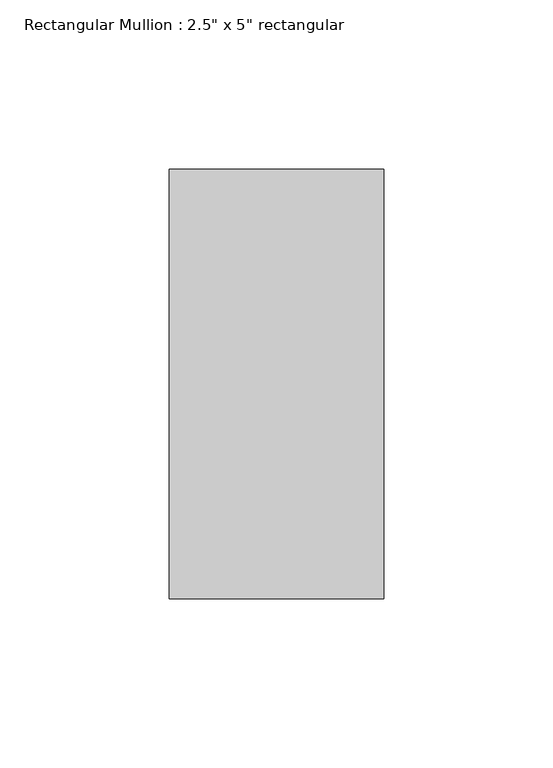
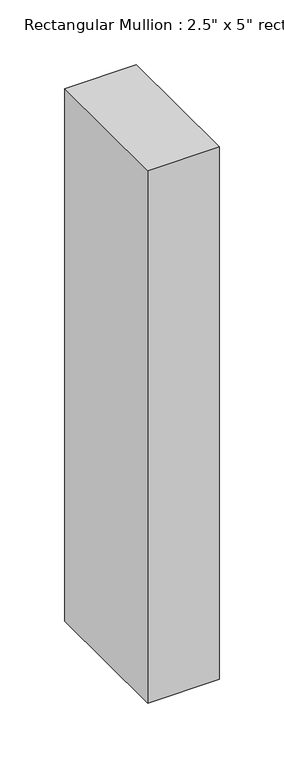
"""IFC4 building model written with IfcOpenShell, lengths in millimetres: member geometry."""

import ifcopenshell
import ifcopenshell.guid

model = None  # the IFC model being written
_history = None  # IfcOwnerHistory: only IFC2X3 demands one
_inside = {}  # id of a spatial element -> (the spatial element, [elements in it])
_under = {}  # id of a project, library or spatial element -> (it, [spatial elements below it])
_declared = {}  # id of a project -> (the project, [libraries it declares])
_typed = {}  # id of a type object -> (the type object, [elements of that type])
_made_of = {}  # id of a material, layer set ... -> (it, [elements and type objects made of it])


def new_model(schema):
    """Start an empty IFC model of exactly this schema.

    Asked for "IFC4X3", IfcOpenShell would pick the latest addendum, in which some entities
    have other attributes; the version numbers below select the first issue.
    IFC2X3 requires an IfcOwnerHistory on every rooted entity: one is made here for all.
    """
    global model, _history
    if schema == "IFC4X3":
        model = ifcopenshell.file(schema_version=(4, 3, 0, 0))
    else:
        model = ifcopenshell.file(schema=schema)
    _inside.clear()
    _under.clear()
    _declared.clear()
    _typed.clear()
    _made_of.clear()
    _history = None
    if model.schema == "IFC2X3":
        org = make("IfcOrganization", Name="unknown")
        user = make(
            "IfcPersonAndOrganization",
            ThePerson=make("IfcPerson", FamilyName="unknown"),
            TheOrganization=org,
        )
        app = make(
            "IfcApplication",
            ApplicationDeveloper=org,
            Version="unknown",
            ApplicationFullName="unknown",
            ApplicationIdentifier="unknown",
        )
        _history = make(
            "IfcOwnerHistory",
            OwningUser=user,
            OwningApplication=app,
            ChangeAction="ADDED",
            CreationDate=0,
        )
    return model


def make(cls, **values):
    """One entity of the class cls with the attributes given. An attribute that is None is left unset."""
    return model.create_entity(
        cls, **{name: value for name, value in values.items() if value is not None}
    )


def rooted(cls, **values):
    """An entity with a GlobalId (a new one), such as an element, a storey or a relation."""
    return make(cls, GlobalId=ifcopenshell.guid.new(), OwnerHistory=_history, **values)


def si_unit(unit_type, name, prefix=None):
    """IfcSIUnit, for example si_unit("LENGTHUNIT", "METRE", prefix="MILLI")."""
    return make("IfcSIUnit", UnitType=unit_type, Prefix=prefix, Name=name)


def assignment(units):
    """IfcUnitAssignment: the units of a project."""
    return None if units is None else make("IfcUnitAssignment", Units=units)


def point(xyz):
    """IfcCartesianPoint."""
    return None if xyz is None else make("IfcCartesianPoint", Coordinates=xyz)


def direction(xyz):
    """IfcDirection."""
    return None if xyz is None else make("IfcDirection", DirectionRatios=xyz)


def frame(location, z_axis=None, x_axis=None):
    """IfcAxis2Placement3D, a coordinate frame: its origin and axes. An axis left out is left unset."""
    return make(
        "IfcAxis2Placement3D",
        Location=point(location),
        Axis=direction(z_axis),
        RefDirection=direction(x_axis),
    )


def origin():
    """The frame at (0, 0, 0) with its axes left unset."""
    return frame((0.0, 0.0, 0.0))


def place(relative_to, where):
    """IfcLocalPlacement: puts the frame where relative to a parent placement (None: the world)."""
    return make(
        "IfcLocalPlacement", PlacementRelTo=relative_to, RelativePlacement=where
    )


def context(
    kind, dimensions, precision=None, world=None, true_north=None, identifier=None
):
    """IfcGeometricRepresentationContext, for example the 3D "Model" context."""
    return make(
        "IfcGeometricRepresentationContext",
        ContextIdentifier=identifier,
        ContextType=kind,
        CoordinateSpaceDimension=dimensions,
        Precision=precision,
        WorldCoordinateSystem=world,
        TrueNorth=true_north,
    )


def project(units=None, contexts=None):
    """IfcProject with its units and contexts."""
    return rooted(
        "IfcProject",
        Name="project",
        RepresentationContexts=contexts,
        UnitsInContext=assignment(units),
    )


def spatial(cls, under=None, at=None, **own):
    """A site, building, storey or space (cls), placed at a placement, below another one or the project."""
    s = rooted(cls, ObjectPlacement=at, **own)
    if under is not None:
        _under.setdefault(under.id(), (under, []))[1].append(s)
    return s


def polyline(points):
    """IfcPolyline through the points."""
    return make("IfcPolyline", Points=[point(p) for p in points])


def outline(outer, holes=None, kind="AREA"):
    """IfcArbitraryClosedProfileDef: a profile drawn as a closed curve; with holes, ...WithVoids."""
    if holes is None:
        return make("IfcArbitraryClosedProfileDef", ProfileType=kind, OuterCurve=outer)
    return make(
        "IfcArbitraryProfileDefWithVoids",
        ProfileType=kind,
        OuterCurve=outer,
        InnerCurves=holes,
    )


def extrude(swept, where, along, depth):
    """IfcExtrudedAreaSolid: the profile swept, set in the frame where, extruded along a direction by depth."""
    return make(
        "IfcExtrudedAreaSolid",
        SweptArea=swept,
        Position=where,
        ExtrudedDirection=direction(along),
        Depth=depth,
    )


def shape(context_of_items, identifier, shape_type, items):
    """IfcShapeRepresentation: the items that make up one representation, for example the "Body"."""
    return make(
        "IfcShapeRepresentation",
        ContextOfItems=context_of_items,
        RepresentationIdentifier=identifier,
        RepresentationType=shape_type,
        Items=items,
    )


def source(mapping_origin, context_of_items, identifier, shape_type, items):
    """IfcRepresentationMap: a shape defined once, which mapped items show again and again."""
    return make(
        "IfcRepresentationMap",
        MappingOrigin=mapping_origin,
        MappedRepresentation=shape(context_of_items, identifier, shape_type, items),
    )


def transform(
    local_origin,
    x_axis=None,
    y_axis=None,
    z_axis=None,
    scale=None,
    scale2=None,
    scale3=None,
    uniform=True,
):
    """IfcCartesianTransformationOperator3D, or its non-uniform kind. x_axis, y_axis, z_axis: its Axis1, 2, 3."""
    if uniform:
        return make(
            "IfcCartesianTransformationOperator3D",
            Axis1=direction(x_axis),
            Axis2=direction(y_axis),
            LocalOrigin=point(local_origin),
            Scale=scale,
            Axis3=direction(z_axis),
        )
    return make(
        "IfcCartesianTransformationOperator3DnonUniform",
        Axis1=direction(x_axis),
        Axis2=direction(y_axis),
        LocalOrigin=point(local_origin),
        Scale=scale,
        Axis3=direction(z_axis),
        Scale2=scale2,
        Scale3=scale3,
    )


def mapped(mapping_source, mapping_target):
    """IfcMappedItem: shows the shape of a source again, moved by a transform."""
    return make(
        "IfcMappedItem", MappingSource=mapping_source, MappingTarget=mapping_target
    )


def made_of(thing, what):
    """Note that an element or type object is made of a material, layer set ...; save() writes the relation."""
    if what is not None:
        _made_of.setdefault(what.id(), (what, []))[1].append(thing)
    return thing


def element(
    cls,
    number,
    at=None,
    inside=None,
    cuts=None,
    type_object=None,
    material=None,
    context=None,
    identifier="Body",
    shape_type=None,
    held_by="IfcProductDefinitionShape",
    body=None,
    shapes=None,
    **own,
):
    """One element of the class cls, such as IfcWall. Its Tag is "e" and its number.

    at: its placement. inside: the storey or other place that contains it. cuts: it is an
    opening in that element (IfcRelVoidsElement). A single representation is given by context,
    identifier, shape_type and body (its items); several are given by shapes. held_by: the class
    of the entity that holds the representations. save() writes the other relations.
    """
    e = rooted(cls, Tag="e%d" % number, ObjectPlacement=at, **own)
    if body is not None:
        shapes = [shape(context, identifier, shape_type, body)]
    if shapes is not None:
        e.Representation = make(held_by, Representations=shapes)
    if inside is not None:
        _inside.setdefault(inside.id(), (inside, []))[1].append(e)
    if cuts is not None:
        rooted(
            "IfcRelVoidsElement", RelatingBuildingElement=cuts, RelatedOpeningElement=e
        )
    if type_object is not None:
        _typed.setdefault(type_object.id(), (type_object, []))[1].append(e)
    return made_of(e, material)


def aggregate(whole, parts):
    """IfcRelAggregates: a whole, such as a stair, and the parts it consists of."""
    return rooted("IfcRelAggregates", RelatingObject=whole, RelatedObjects=parts)


def save(model, path):
    """Write the relations noted so far, then the file.

    IfcRelAggregates (storeys below a building ...), IfcRelContainedInSpatialStructure (elements
    in a storey), IfcRelDefinesByType, IfcRelAssociatesMaterial and IfcRelDeclares: one each for
    every whole, place, type object, material and project.
    """
    for whole, parts in _under.values():
        aggregate(whole, parts)
    for where, things in _inside.values():
        rooted(
            "IfcRelContainedInSpatialStructure",
            RelatedElements=things,
            RelatingStructure=where,
        )
    for kind, things in _typed.values():
        rooted("IfcRelDefinesByType", RelatedObjects=things, RelatingType=kind)
    for what, things in _made_of.values():
        rooted("IfcRelAssociatesMaterial", RelatedObjects=things, RelatingMaterial=what)
    for by, libraries in _declared.values():
        rooted("IfcRelDeclares", RelatingContext=by, RelatedDefinitions=libraries)
    model.write(path)


def member_de2caa85(model_context):
    return source(origin(), model_context, "Body", "SweptSolid", [
        extrude(outline(polyline([(31.75, 63.5), (31.75, -63.5), (-31.75, -63.5), (-31.75, 63.5), (31.75, 63.5)])), frame((0.0, 0.0, -500.0), z_axis=(0.0, 0.0, 1.0), x_axis=(1.0, 0.0, 0.0)), (0.0, 0.0, 1.0), 500.0),
    ])


if __name__ == "__main__":
    model = new_model("IFC4")
    model_context = context("Model", 3, world=origin())
    ifc_project = project(units=[si_unit("LENGTHUNIT", "METRE", prefix="MILLI")], contexts=[model_context])
    site = spatial("IfcSite", under=ifc_project)
    building = spatial("IfcBuilding", under=site)
    placement = place(None, origin())
    member_shape = member_de2caa85(model_context)
    element("IfcMember", 1, ObjectType="Rectangular Mullion : 2.5\" x 5\" rectangular", at=placement, inside=building, context=model_context, shape_type="MappedRepresentation", body=[
        mapped(member_shape, transform((0.0, 0.0, 0.0), x_axis=(1.0, 0.0, 0.0), y_axis=(0.0, 1.0, 0.0), z_axis=(0.0, 0.0, 1.0))),
    ])
    save(model, "model.ifc")
